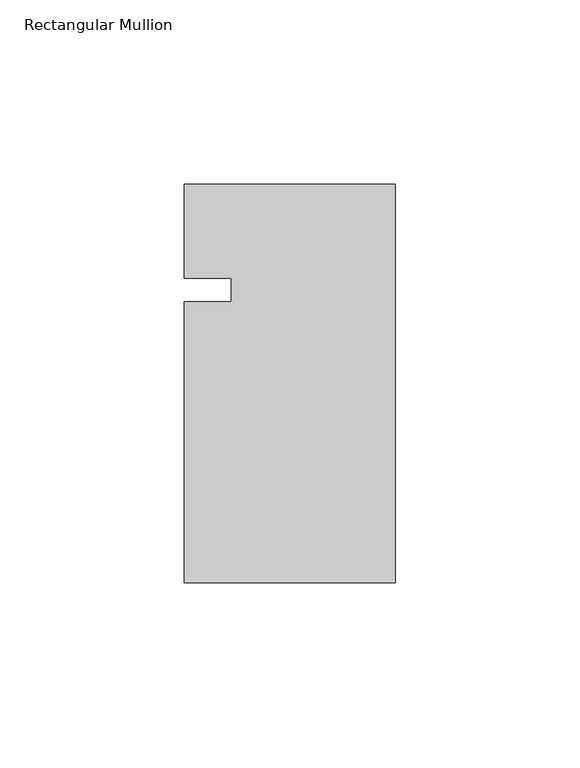
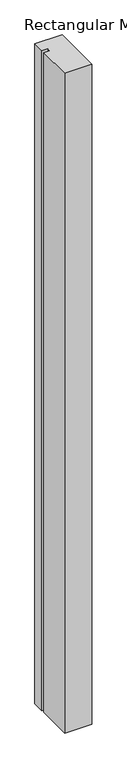
"""IFC4 building model written with IfcOpenShell, lengths in millimetres: member geometry, Rectangular Mullion."""

from ifc_helpers import new_model, si_unit, frame, origin, place, context, project, spatial, polyline, outline, extrude, source, transform, mapped, element, save


def rectangular_mullion_71805d7d(model_context):
    return source(origin(), model_context, "Body", "SweptSolid", [
        extrude(outline(polyline([(-57.15, -79.375), (-57.15, -3.175), (-44.4482296, -3.175), (-44.4482296, 3.175), (-57.15, 3.175), (-57.15, 28.575), (0.0, 28.575), (0.0, -79.375), (-57.15, -79.375)])), frame((0.0, 0.0, -1463.04), z_axis=(0.0, 0.0, 1.0), x_axis=(1.0, 0.0, 0.0)), (0.0, 0.0, 1.0), 1463.04),
    ])


if __name__ == "__main__":
    model = new_model("IFC4")
    model_context = context("Model", 3, world=origin())
    ifc_project = project(units=[si_unit("LENGTHUNIT", "METRE", prefix="MILLI")], contexts=[model_context])
    site = spatial("IfcSite", under=ifc_project)
    building = spatial("IfcBuilding", under=site)
    placement = place(None, origin())
    rectangular_mullion_shape = rectangular_mullion_71805d7d(model_context)
    element("IfcMember", 1, ObjectType="Rectangular Mullion", at=placement, inside=building, context=model_context, shape_type="MappedRepresentation", body=[
        mapped(rectangular_mullion_shape, transform((0.0, 0.0, 0.0), x_axis=(1.0, 0.0, 0.0), y_axis=(0.0, 1.0, 0.0), z_axis=(0.0, 0.0, 1.0))),
    ])
    save(model, "model.ifc")
